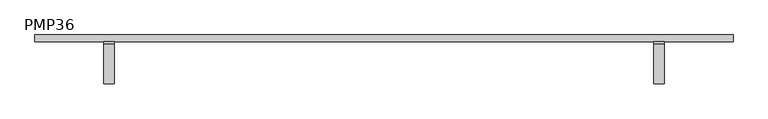
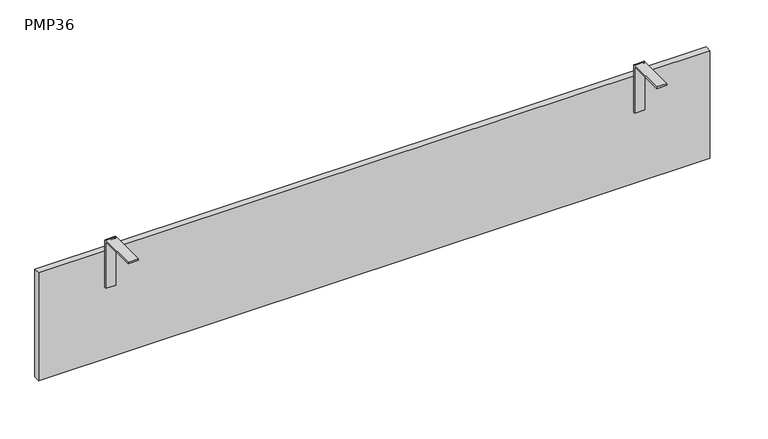
"""IFC4 building model written with IfcOpenShell, lengths in millimetres: furniture geometry, PMP36."""

from ifc_helpers import new_model, si_unit, point, frame, frame_2d, origin, origin_with_axes, place, context, project, spatial, polyline, circle_curve, trimmed, segment, composite_curve, outline, extrude, source, transform, mapped, element, save


def pmp36_d27f423b(model_context):
    return source(origin(), model_context, "Body", "SweptSolid", [
        extrude(outline(composite_curve([segment(polyline([(0.0, 306.0), (0.0, 185.0), (-4.0, 185.0), (-4.0, 306.0)]), True, "CONTINUOUS"), segment(trimmed(circle_curve(frame_2d((-5.0, 306.0)), 1.0), [point((-4.0, 306.0))], [point((-5.0, 307.0))], True, "CARTESIAN"), True, "CONTINUOUS"), segment(polyline([(-5.0, 307.0), (-99.0, 307.0), (-99.0, 311.0), (-5.0, 311.0)]), True, "CONTINUOUS"), segment(trimmed(circle_curve(frame_2d((-5.0, 306.0)), 5.0), [point((-5.0, 311.0))], [point((0.0, 306.0))], False, "CARTESIAN"), True, "CONTINUOUS")], self_intersect=False)), frame((162.5, 0.0, 0.0), z_axis=(1.0, 0.0, 0.0), x_axis=(0.0, 1.0, 0.0)), (0.0, 0.0, 1.0), 25.0),
        extrude(outline(composite_curve([segment(polyline([(0.0, 306.0), (0.0, 185.0), (-4.0, 185.0), (-4.0, 306.0)]), True, "CONTINUOUS"), segment(trimmed(circle_curve(frame_2d((-5.0, 306.0)), 1.0), [point((-4.0, 306.0))], [point((-5.0, 307.0))], True, "CARTESIAN"), True, "CONTINUOUS"), segment(polyline([(-5.0, 307.0), (-99.0, 307.0), (-99.0, 311.0), (-5.0, 311.0)]), True, "CONTINUOUS"), segment(trimmed(circle_curve(frame_2d((-5.0, 306.0)), 5.0), [point((-5.0, 311.0))], [point((0.0, 306.0))], False, "CARTESIAN"), True, "CONTINUOUS")], self_intersect=False)), frame((1462.5, 0.0, 0.0), z_axis=(1.0, 0.0, 0.0), x_axis=(0.0, 1.0, 0.0)), (0.0, 0.0, 1.0), 25.0),
        extrude(outline(polyline([(1650.0, 16.0), (1650.0, 0.0), (0.0, 0.0), (0.0, 16.0), (1650.0, 16.0)])), origin_with_axes(), (0.0, 0.0, 1.0), 280.0),
    ])


if __name__ == "__main__":
    model = new_model("IFC4")
    model_context = context("Model", 3, world=origin())
    ifc_project = project(units=[si_unit("LENGTHUNIT", "METRE", prefix="MILLI")], contexts=[model_context])
    site = spatial("IfcSite", under=ifc_project)
    building = spatial("IfcBuilding", under=site)
    placement = place(None, origin())
    pmp36_shape = pmp36_d27f423b(model_context)
    element("IfcFurniture", 1, ObjectType="PMP36", at=placement, inside=building, context=model_context, shape_type="MappedRepresentation", body=[
        mapped(pmp36_shape, transform((0.0, 0.0, 0.0), x_axis=(1.0, 0.0, 0.0), y_axis=(0.0, 1.0, 0.0), z_axis=(0.0, 0.0, 1.0))),
    ])
    save(model, "model.ifc")
